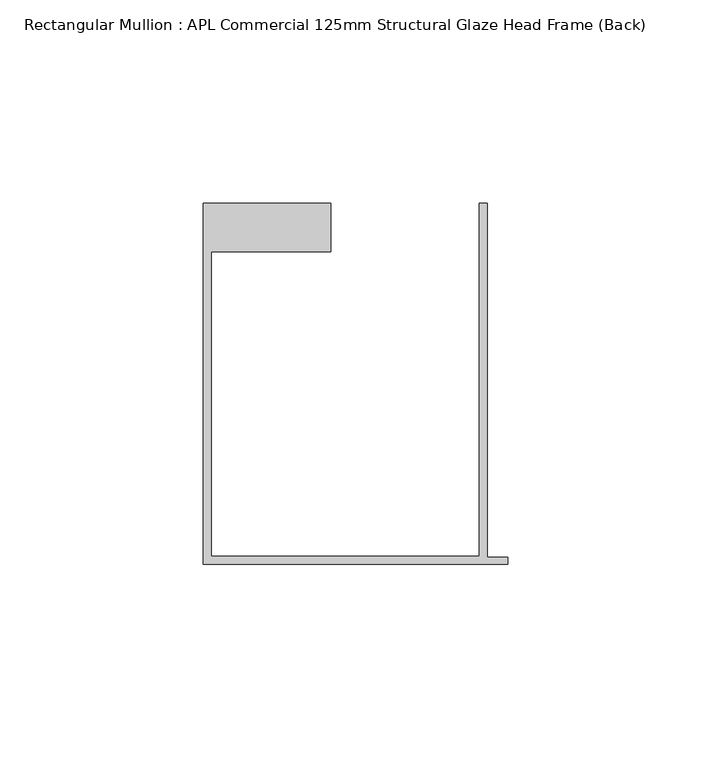
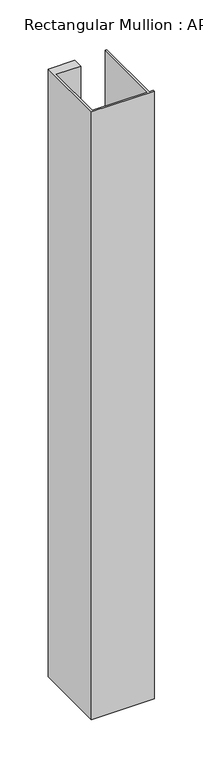
"""IFC4 building model written with IfcOpenShell, lengths in millimetres: member geometry, Rectangular Mullion : APL Commercial 125mm Structural Glaze Head Frame (Back)."""

from ifc_helpers import new_model, si_unit, frame, origin, place, context, project, spatial, polyline, outline, extrude, source, transform, mapped, element, save


def rectangular_mullion_apl_commercial_125mm_structural_glaze_2c714b8d(model_context):
    return source(origin(), model_context, "Body", "SweptSolid", [
        extrude(outline(polyline([(-75.0, -103.9993063), (-75.0, -14.9998342), (-43.5000151, -14.9998342), (-43.5000151, -26.9997514), (-73.0, -26.9997514), (-73.0, -101.9993063), (-7.0, -101.9993063), (-7.0, -14.9998342), (-5.0, -14.9998342), (-5.0, -102.1993063), (0.0, -102.1993063), (0.0, -103.9993063), (-75.0, -103.9993063)])), frame((0.0, 0.0, -767.0863351), z_axis=(0.0, 0.0, 1.0), x_axis=(1.0, 0.0, 0.0)), (0.0, 0.0, 1.0), 767.0863351),
    ])


if __name__ == "__main__":
    model = new_model("IFC4")
    model_context = context("Model", 3, world=origin())
    ifc_project = project(units=[si_unit("LENGTHUNIT", "METRE", prefix="MILLI")], contexts=[model_context])
    site = spatial("IfcSite", under=ifc_project)
    building = spatial("IfcBuilding", under=site)
    placement = place(None, origin())
    rectangular_mullion_apl_commercial_125mm_structural_glaze_shape = rectangular_mullion_apl_commercial_125mm_structural_glaze_2c714b8d(model_context)
    element("IfcMember", 1, ObjectType="Rectangular Mullion : APL Commercial 125mm Structural Glaze Head Frame (Back)", at=placement, inside=building, context=model_context, shape_type="MappedRepresentation", body=[
        mapped(rectangular_mullion_apl_commercial_125mm_structural_glaze_shape, transform((0.0, 0.0, 0.0), x_axis=(1.0, 0.0, 0.0), y_axis=(0.0, 1.0, 0.0), z_axis=(0.0, 0.0, 1.0))),
    ])
    save(model, "model.ifc")
